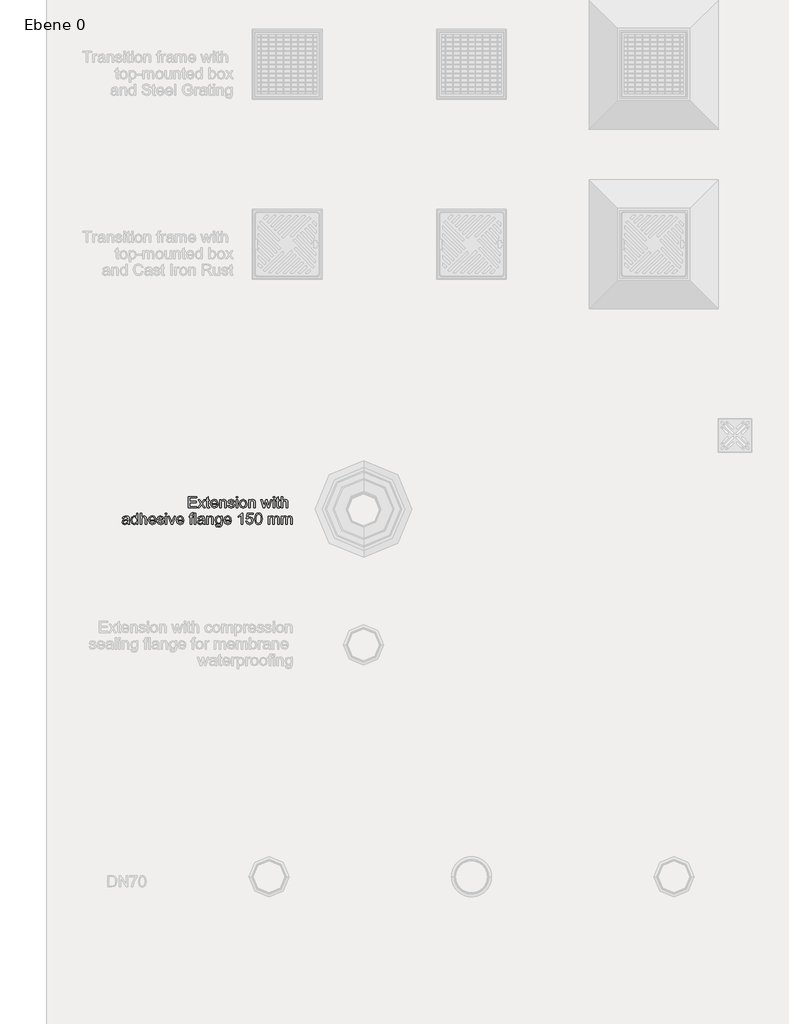
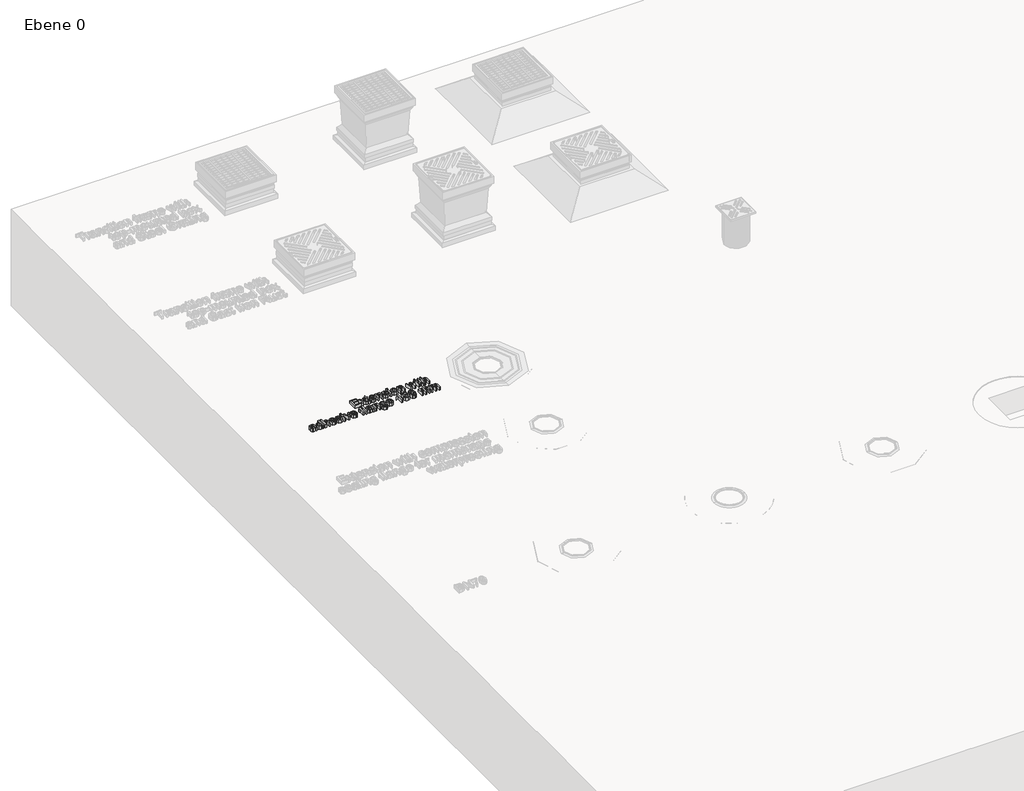
# One storey, part 7 of 12: 1 proxy.
"""IFC4 building model written with IfcOpenShell, lengths in millimetres."""

from ifc_helpers import new_model, si_unit, origin, origin_with_axes, place, context, project, spatial, polyline, outline, extrude, element, save

model = new_model("IFC4")

# Units and contexts
model_context = context("Model", 3, world=origin())
ifc_project = project(units=[si_unit("LENGTHUNIT", "METRE", prefix="MILLI")], contexts=[model_context])

# Site, building, storey
site = spatial("IfcSite", under=ifc_project)
building = spatial("IfcBuilding", under=site)
storey = spatial("IfcBuildingStorey", under=building, Name="Ebene 0", Elevation=0.0)

# Proxy
placement = place(None, origin())
element("IfcBuildingElementProxy", 1, Name="100mm ACO", ObjectType="100mm ACO", at=placement, inside=storey, context=model_context, shape_type="SweptSolid", body=[
    extrude(outline(polyline([(-28839.9371913, 20900.7166552), (-28877.1907044, 20900.7166552), (-28877.1907044, 20951.0088979), (-28840.8685292, 20951.0088979), (-28840.8685292, 20945.4208709), (-28870.6713396, 20945.4208709), (-28870.6713396, 20929.5881279), (-28842.7312048, 20929.5881279), (-28842.7312048, 20924.0001009), (-28870.6713396, 20924.0001009), (-28870.6713396, 20906.3046822), (-28839.9371913, 20906.3046822), (-28839.9371913, 20900.7166552)])), origin_with_axes(), (0.0, 0.0, 1.0), 20.0),
    extrude(outline(polyline([(-28801.7523404, 20900.7166552), (-28808.3299138, 20900.7166552), (-28818.5309735, 20914.9195571), (-28828.6738245, 20900.7166552), (-28835.2805022, 20900.7166552), (-28821.8343123, 20919.5325898), (-28834.3491644, 20937.0388305), (-28827.7861431, 20937.0388305), (-28818.5309735, 20924.1310703), (-28809.3049081, 20937.0388305), (-28802.6836783, 20937.0388305), (-28815.2276346, 20919.5180376), (-28801.7523404, 20900.7166552)])), origin_with_axes(), (0.0, 0.0, 1.0), 20.0),
    extrude(outline(polyline([(-28783.1255839, 20900.2073299), (-28787.6949601, 20899.7853174), (-28793.5230976, 20901.2332567), (-28795.7568532, 20904.9076755), (-28796.1643135, 20911.1068929), (-28796.1643135, 20932.3821414), (-28800.8210026, 20932.3821414), (-28800.8210026, 20937.0388305), (-28796.1643135, 20937.0388305), (-28796.1643135, 20946.2648958), (-28789.6449487, 20950.0775601), (-28789.6449487, 20937.0388305), (-28784.0569217, 20937.0388305), (-28784.0569217, 20932.3821414), (-28789.6449487, 20932.3821414), (-28789.6449487, 20909.7971991), (-28789.1210711, 20905.6643874), (-28786.458027, 20904.4420066), (-28783.9259523, 20904.4420066), (-28783.1255839, 20900.2073299)])), origin_with_axes(), (0.0, 0.0, 1.0), 20.0),
    extrude(outline(polyline([(-28745.8720708, 20917.4807361), (-28772.8808678, 20917.4807361), (-28769.4683878, 20907.7890019), (-28761.8939919, 20904.4420066), (-28756.0221979, 20906.2974061), (-28752.3914356, 20911.8927092), (-28745.8720708, 20911.1359972), (-28751.5619628, 20902.7248524), (-28761.8939919, 20899.7853174), (-28774.7653717, 20904.8276386), (-28779.4002326, 20918.601252), (-28774.9327214, 20932.6004237), (-28769.5520627, 20936.6277322), (-28762.3451086, 20937.9701683), (-28754.6906759, 20936.231186), (-28748.4405259, 20930.3084595), (-28745.8720708, 20917.4807361)]), holes=[polyline([(-28752.3914356, 20922.1374253), (-28755.8257438, 20930.6940916), (-28762.5051823, 20933.3134792), (-28769.6357375, 20930.1993183), (-28772.8808678, 20922.1374253), (-28752.3914356, 20922.1374253)])]), origin_with_axes(), (0.0, 0.0, 1.0), 20.0),
    extrude(outline(polyline([(-28708.6185577, 20900.7166552), (-28715.1379225, 20900.7166552), (-28715.1379225, 20923.3307019), (-28717.080635, 20931.1743126), (-28722.4867601, 20933.3134792), (-28727.5290813, 20931.9455768), (-28730.9051809, 20928.0892561), (-28731.9020034, 20921.0460137), (-28731.9020034, 20900.7166552), (-28738.4213682, 20900.7166552), (-28738.4213682, 20937.0388305), (-28732.8333412, 20937.0388305), (-28732.8333412, 20931.9892332), (-28727.8565047, 20936.4785726), (-28721.1916184, 20937.9701683), (-28715.472622, 20936.9369654), (-28711.0487674, 20933.8446328), (-28709.0332941, 20929.4498824), (-28708.6185577, 20923.1415239), (-28708.6185577, 20900.7166552)])), origin_with_axes(), (0.0, 0.0, 1.0), 20.0),
    extrude(outline(polyline([(-28678.8157473, 20926.7941144), (-28681.2241287, 20931.683638), (-28686.7903274, 20933.3134792), (-28692.4802194, 20931.9164724), (-28694.6484903, 20927.8564216), (-28693.2151032, 20924.2620397), (-28686.4556279, 20922.3120511), (-28677.5424338, 20920.216541), (-28672.9948858, 20917.0368954), (-28671.3650446, 20911.3397273), (-28675.4105433, 20903.1250367), (-28686.2227934, 20899.7853174), (-28697.2314976, 20902.5938831), (-28702.0991929, 20911.0050278), (-28695.5798281, 20911.8927092), (-28692.7639864, 20906.2974061), (-28686.2227934, 20904.4420066), (-28680.0381282, 20906.3701669), (-28677.8844094, 20911.0632364), (-28678.8521276, 20914.0682561), (-28681.2677851, 20915.763582), (-28688.1000212, 20917.2187974), (-28698.6285043, 20921.1478788), (-28701.1678551, 20927.4780656), (-28697.4061234, 20935.0088051), (-28687.2851006, 20937.9701683), (-28676.7857218, 20935.379885), (-28672.2963825, 20927.6235872), (-28678.8157473, 20926.7941144)])), origin_with_axes(), (0.0, 0.0, 1.0), 20.0),
    extrude(outline(polyline([(-28658.3263151, 20944.4895331), (-28664.8456799, 20944.4895331), (-28664.8456799, 20951.0088979), (-28658.3263151, 20951.0088979), (-28658.3263151, 20944.4895331)])), origin_with_axes(), (0.0, 0.0, 1.0), 20.0),
    extrude(outline(polyline([(-28658.3263151, 20900.7166552), (-28664.8456799, 20900.7166552), (-28664.8456799, 20937.0388305), (-28658.3263151, 20937.0388305), (-28658.3263151, 20900.7166552)])), origin_with_axes(), (0.0, 0.0, 1.0), 20.0),
    extrude(outline(polyline([(-28634.1260837, 20937.9701683), (-28622.113281, 20933.1534055), (-28617.3474507, 20919.459829), (-28618.6371353, 20910.270144), (-28622.5061891, 20904.2382764), (-28634.1260837, 20899.7853174), (-28645.8914999, 20904.3619697), (-28649.6295843, 20910.2792391), (-28650.8756124, 20918.8777429), (-28646.0588496, 20933.2407184), (-28634.1260837, 20937.9701683)]), holes=[polyline([(-28634.1260837, 20904.4420066), (-28626.478927, 20908.4802292), (-28623.8668155, 20919.1105773), (-28626.8209026, 20929.7336494), (-28634.1260837, 20933.3134792), (-28641.4821973, 20929.6827169), (-28644.3562477, 20918.8631907), (-28641.4312648, 20908.0727689), (-28634.1260837, 20904.4420066)])]), origin_with_axes(), (0.0, 0.0, 1.0), 20.0),
    extrude(outline(polyline([(-28580.0939376, 20900.7166552), (-28586.6133024, 20900.7166552), (-28586.6133024, 20923.3307019), (-28588.5560149, 20931.1743126), (-28593.9621399, 20933.3134792), (-28599.0044611, 20931.9455768), (-28602.3805608, 20928.0892561), (-28603.3773833, 20921.0460137), (-28603.3773833, 20900.7166552), (-28609.8967481, 20900.7166552), (-28609.8967481, 20937.0388305), (-28604.3087211, 20937.0388305), (-28604.3087211, 20931.9892332), (-28599.3318846, 20936.4785726), (-28592.6669983, 20937.9701683), (-28586.9480019, 20936.9369654), (-28582.5241472, 20933.8446328), (-28580.508674, 20929.4498824), (-28580.0939376, 20923.1415239), (-28580.0939376, 20900.7166552)])), origin_with_axes(), (0.0, 0.0, 1.0), 20.0),
    extrude(outline(polyline([(-28506.2854148, 20937.0388305), (-28518.4510152, 20900.7166552), (-28524.6211283, 20900.7166552), (-28529.90356, 20922.5448856), (-28530.565683, 20925.4916967), (-28531.1987017, 20928.7149987), (-28537.6162014, 20900.7166552), (-28543.7863145, 20900.7166552), (-28556.1119885, 20937.0388305), (-28550.3056793, 20937.0388305), (-28541.4434178, 20908.2546708), (-28540.3811106, 20913.1587465), (-28534.8221879, 20937.0388305), (-28527.531559, 20937.0388305), (-28523.1222565, 20917.9900615), (-28521.0704028, 20909.0404871), (-28512.1062762, 20937.0388305), (-28506.2854148, 20937.0388305)])), origin_with_axes(), (0.0, 0.0, 1.0), 20.0),
    extrude(outline(polyline([(-28494.4108575, 20900.7166552), (-28500.9302223, 20900.7166552), (-28500.9302223, 20937.0388305), (-28494.4108575, 20937.0388305), (-28494.4108575, 20900.7166552)])), origin_with_axes(), (0.0, 0.0, 1.0), 20.0),
    extrude(outline(polyline([(-28494.4108575, 20944.4895331), (-28500.9302223, 20944.4895331), (-28500.9302223, 20951.0088979), (-28494.4108575, 20951.0088979), (-28494.4108575, 20944.4895331)])), origin_with_axes(), (0.0, 0.0, 1.0), 20.0),
    extrude(outline(polyline([(-28471.1274118, 20900.2073299), (-28475.696788, 20899.7853174), (-28481.5249255, 20901.2332567), (-28483.7586811, 20904.9076755), (-28484.1661414, 20911.1068929), (-28484.1661414, 20932.3821414), (-28488.8228305, 20932.3821414), (-28488.8228305, 20937.0388305), (-28484.1661414, 20937.0388305), (-28484.1661414, 20946.2648958), (-28477.6467766, 20950.0775601), (-28477.6467766, 20937.0388305), (-28472.0587497, 20937.0388305), (-28472.0587497, 20932.3821414), (-28477.6467766, 20932.3821414), (-28477.6467766, 20909.7971991), (-28477.1228991, 20905.6643874), (-28474.459855, 20904.4420066), (-28471.9277803, 20904.4420066), (-28471.1274118, 20900.2073299)])), origin_with_axes(), (0.0, 0.0, 1.0), 20.0),
    extrude(outline(polyline([(-28435.7365744, 20900.7166552), (-28442.2559392, 20900.7166552), (-28442.2559392, 20924.2038311), (-28444.1113388, 20931.0360672), (-28449.6484332, 20933.3134792), (-28456.1532458, 20930.6286069), (-28459.0200201, 20921.0460137), (-28459.0200201, 20900.7166552), (-28465.5393849, 20900.7166552), (-28465.5393849, 20951.0088979), (-28459.0200201, 20951.0088979), (-28459.0200201, 20932.9933318), (-28448.1786657, 20937.9701683), (-28441.4992272, 20936.5295051), (-28437.02444, 20932.0983744), (-28435.7365744, 20923.7963708), (-28435.7365744, 20900.7166552)])), origin_with_axes(), (0.0, 0.0, 1.0), 20.0),
    extrude(outline(polyline([(-29138.8966338, 20827.4332096), (-29145.4159986, 20827.4332096), (-29147.2786743, 20831.8279599), (-29160.331956, 20826.5018717), (-29169.1869414, 20829.4123024), (-29172.4247956, 20837.0958395), (-29169.2524261, 20844.6411311), (-29158.2364459, 20848.5629365), (-29152.5320017, 20849.4360657), (-29147.2786743, 20850.7166552), (-29147.446024, 20854.7548779), (-29148.4210183, 20857.2069157), (-29151.0185777, 20859.2514933), (-29155.8353405, 20860.0300335), (-29161.9108646, 20858.4511249), (-29164.974093, 20852.5793309), (-29171.4934578, 20853.3796993), (-29166.3492715, 20861.8490527), (-29154.9476592, 20864.6867226), (-29145.263201, 20862.7440102), (-29141.4650889, 20858.0582167), (-29140.7593095, 20850.9931462), (-29140.7593095, 20842.6838665), (-29140.4828185, 20832.497359), (-29138.8966338, 20827.4332096)]), holes=[polyline([(-29147.2786743, 20843.7316215), (-29147.2786743, 20846.0599661), (-29158.9858818, 20843.3823699), (-29164.1755435, 20841.3414303), (-29165.9054308, 20837.1977046), (-29164.0427551, 20832.8611628), (-29158.6730105, 20831.1585609), (-29150.7202586, 20834.010783), (-29147.2786743, 20843.7316215)])]), origin_with_axes(), (0.0, 0.0, 1.0), 20.0),
    extrude(outline(polyline([(-29101.6431207, 20827.4332096), (-29108.1624855, 20827.4332096), (-29108.1624855, 20831.5369169), (-29118.0870542, 20826.5018717), (-29128.9502369, 20831.8134078), (-29133.3086068, 20845.5942972), (-29129.1321388, 20859.5643646), (-29118.1016064, 20864.6867226), (-29108.2934549, 20860.0882421), (-29108.1624855, 20877.7254522), (-29101.6431207, 20877.7254522), (-29101.6431207, 20827.4332096)]), holes=[polyline([(-29117.3303423, 20831.1585609), (-29110.8255296, 20834.5928691), (-29108.1624855, 20845.0122111), (-29110.5999712, 20855.9554305), (-29117.592281, 20860.0300335), (-29124.4681736, 20856.0427434), (-29126.7892421, 20845.579745), (-29125.5377569, 20837.6560974), (-29122.04524, 20832.7884021), (-29117.3303423, 20831.1585609)])]), origin_with_axes(), (0.0, 0.0, 1.0), 20.0),
    extrude(outline(polyline([(-29062.526932, 20827.4332096), (-29069.0462968, 20827.4332096), (-29069.0462968, 20850.9203854), (-29070.9016964, 20857.7526215), (-29076.4387908, 20860.0300335), (-29082.9436034, 20857.3451612), (-29085.8103777, 20847.7625681), (-29085.8103777, 20827.4332096), (-29092.3297425, 20827.4332096), (-29092.3297425, 20877.7254522), (-29085.8103777, 20877.7254522), (-29085.8103777, 20859.7098861), (-29074.9690233, 20864.6867226), (-29068.2895848, 20863.2460594), (-29063.8147976, 20858.8149287), (-29062.526932, 20850.5129251), (-29062.526932, 20827.4332096)])), origin_with_axes(), (0.0, 0.0, 1.0), 20.0),
    extrude(outline(polyline([(-29021.5480676, 20844.1972905), (-29048.5568646, 20844.1972905), (-29045.1443846, 20834.5055562), (-29037.5699887, 20831.1585609), (-29031.6981947, 20833.0139605), (-29028.0674324, 20838.6092635), (-29021.5480676, 20837.8525515), (-29027.2379596, 20829.4414068), (-29037.5699887, 20826.5018717), (-29050.4413685, 20831.5441929), (-29055.0762294, 20845.3178063), (-29050.6087182, 20859.316978), (-29045.2280595, 20863.3442865), (-29038.0211054, 20864.6867226), (-29030.3666727, 20862.9477403), (-29024.1165227, 20857.0250138), (-29021.5480676, 20844.1972905)]), holes=[polyline([(-29028.0674324, 20848.8539796), (-29031.5017406, 20857.4106459), (-29038.1811791, 20860.0300335), (-29045.3117343, 20856.9158727), (-29048.5568646, 20848.8539796), (-29028.0674324, 20848.8539796)])]), origin_with_axes(), (0.0, 0.0, 1.0), 20.0),
    extrude(outline(polyline([(-28993.6079328, 20853.5106687), (-28996.0163142, 20858.4001923), (-29001.5825129, 20860.0300335), (-29007.272405, 20858.6330268), (-29009.4406759, 20854.5729759), (-29008.0072887, 20850.978594), (-29001.2478134, 20849.0286054), (-28992.3346194, 20846.9330953), (-28987.7870714, 20843.7534498), (-28986.1572302, 20838.0562817), (-28990.2027289, 20829.841591), (-29001.0149789, 20826.5018717), (-29012.0236831, 20829.3104374), (-29016.8913785, 20837.7215821), (-29010.3720137, 20838.6092635), (-29007.556172, 20833.0139605), (-29001.0149789, 20831.1585609), (-28994.8303137, 20833.0867212), (-28992.676595, 20837.7797907), (-28993.6443132, 20840.7848104), (-28996.0599707, 20842.4801363), (-29002.8922068, 20843.9353517), (-29013.4206898, 20847.8644331), (-29015.9600406, 20854.1946199), (-29012.198309, 20861.7253594), (-29002.0772862, 20864.6867226), (-28991.5779074, 20862.0964393), (-28987.088568, 20854.3401415), (-28993.6079328, 20853.5106687)])), origin_with_axes(), (0.0, 0.0, 1.0), 20.0),
    extrude(outline(polyline([(-28973.1185006, 20827.4332096), (-28979.6378654, 20827.4332096), (-28979.6378654, 20863.7553848), (-28973.1185006, 20863.7553848), (-28973.1185006, 20827.4332096)])), origin_with_axes(), (0.0, 0.0, 1.0), 20.0),
    extrude(outline(polyline([(-28973.1185006, 20871.2060874), (-28979.6378654, 20871.2060874), (-28979.6378654, 20877.7254522), (-28973.1185006, 20877.7254522), (-28973.1185006, 20871.2060874)])), origin_with_axes(), (0.0, 0.0, 1.0), 20.0),
    extrude(outline(polyline([(-28934.9336497, 20863.7553848), (-28947.9287228, 20827.4332096), (-28953.5458541, 20827.4332096), (-28967.5304736, 20863.7553848), (-28961.6514036, 20863.7553848), (-28953.8660015, 20842.7275229), (-28951.2320617, 20834.6365256), (-28949.2238645, 20840.5301478), (-28940.8272719, 20863.7553848), (-28934.9336497, 20863.7553848)])), origin_with_axes(), (0.0, 0.0, 1.0), 20.0),
    extrude(outline(polyline([(-28897.6801366, 20844.1972905), (-28924.6889336, 20844.1972905), (-28921.2764536, 20834.5055562), (-28913.7020577, 20831.1585609), (-28907.8302637, 20833.0139605), (-28904.1995014, 20838.6092635), (-28897.6801366, 20837.8525515), (-28903.3700286, 20829.4414068), (-28913.7020577, 20826.5018717), (-28926.5734375, 20831.5441929), (-28931.2082984, 20845.3178063), (-28926.7407872, 20859.316978), (-28921.3601285, 20863.3442865), (-28914.1531744, 20864.6867226), (-28906.4987417, 20862.9477403), (-28900.2485917, 20857.0250138), (-28897.6801366, 20844.1972905)]), holes=[polyline([(-28904.1995014, 20848.8539796), (-28907.6338096, 20857.4106459), (-28914.3132481, 20860.0300335), (-28921.4438034, 20856.9158727), (-28924.6889336, 20848.8539796), (-28904.1995014, 20848.8539796)])]), origin_with_axes(), (0.0, 0.0, 1.0), 20.0),
    extrude(outline(polyline([(-28853.9072587, 20878.176569), (-28854.7076272, 20874.0001009), (-28857.8799967, 20874.0001009), (-28861.0523661, 20872.9305176), (-28862.2892992, 20867.6408098), (-28862.2892992, 20863.7553848), (-28856.7012722, 20863.7553848), (-28856.7012722, 20859.0986957), (-28862.2892992, 20859.0986957), (-28862.2892992, 20827.4332096), (-28868.808664, 20827.4332096), (-28868.808664, 20859.0986957), (-28874.3966909, 20859.0986957), (-28874.3966909, 20863.7553848), (-28868.808664, 20863.7553848), (-28868.808664, 20867.7426749), (-28868.3211668, 20872.7631679), (-28865.7527117, 20876.8377709), (-28859.335212, 20878.6567901), (-28853.9072587, 20878.176569)])), origin_with_axes(), (0.0, 0.0, 1.0), 20.0),
    extrude(outline(polyline([(-28844.5938805, 20827.4332096), (-28851.1132453, 20827.4332096), (-28851.1132453, 20877.7254522), (-28844.5938805, 20877.7254522), (-28844.5938805, 20827.4332096)])), origin_with_axes(), (0.0, 0.0, 1.0), 20.0),
    extrude(outline(polyline([(-28803.6150161, 20827.4332096), (-28810.1343809, 20827.4332096), (-28811.9970565, 20831.8279599), (-28825.0503383, 20826.5018717), (-28833.9053237, 20829.4123024), (-28837.1431779, 20837.0958395), (-28833.9708084, 20844.6411311), (-28822.9548281, 20848.5629365), (-28817.250384, 20849.4360657), (-28811.9970565, 20850.7166552), (-28812.1644063, 20854.7548779), (-28813.1394006, 20857.2069157), (-28815.73696, 20859.2514933), (-28820.5537228, 20860.0300335), (-28826.6292469, 20858.4511249), (-28829.6924752, 20852.5793309), (-28836.21184, 20853.3796993), (-28831.0676537, 20861.8490527), (-28819.6660414, 20864.6867226), (-28809.9815833, 20862.7440102), (-28806.1834712, 20858.0582167), (-28805.4776917, 20850.9931462), (-28805.4776917, 20842.6838665), (-28805.2012008, 20832.497359), (-28803.6150161, 20827.4332096)]), holes=[polyline([(-28811.9970565, 20843.7316215), (-28811.9970565, 20846.0599661), (-28823.7042641, 20843.3823699), (-28828.8939258, 20841.3414303), (-28830.6238131, 20837.1977046), (-28828.7611374, 20832.8611628), (-28823.3913928, 20831.1585609), (-28815.4386408, 20834.010783), (-28811.9970565, 20843.7316215)])]), origin_with_axes(), (0.0, 0.0, 1.0), 20.0),
    extrude(outline(polyline([(-28766.361503, 20827.4332096), (-28772.8808678, 20827.4332096), (-28772.8808678, 20850.0472562), (-28774.8235803, 20857.8908669), (-28780.2297053, 20860.0300335), (-28785.2720265, 20858.6621311), (-28788.6481262, 20854.8058104), (-28789.6449487, 20847.7625681), (-28789.6449487, 20827.4332096), (-28796.1643135, 20827.4332096), (-28796.1643135, 20863.7553848), (-28790.5762865, 20863.7553848), (-28790.5762865, 20858.7057875), (-28785.59945, 20863.1951269), (-28778.9345637, 20864.6867226), (-28773.2155673, 20863.6535197), (-28768.7917126, 20860.5611871), (-28766.7762394, 20856.1664367), (-28766.361503, 20849.8580782), (-28766.361503, 20827.4332096)])), origin_with_axes(), (0.0, 0.0, 1.0), 20.0),
    extrude(outline(polyline([(-28727.2453143, 20832.7884021), (-28728.7805665, 20821.4013419), (-28734.2449001, 20815.5513762), (-28743.6310392, 20813.4631422), (-28753.8830313, 20816.293536), (-28757.9794626, 20825.5705339), (-28751.4600978, 20824.537331), (-28749.1608575, 20819.7278443), (-28743.5291741, 20818.1198313), (-28736.8351835, 20819.9752309), (-28734.237624, 20824.4936746), (-28733.7646791, 20831.8425121), (-28743.616487, 20827.4332096), (-28754.7197802, 20832.686537), (-28758.9108004, 20845.9435489), (-28754.9235103, 20859.3315301), (-28743.8929779, 20864.6867226), (-28733.8956484, 20859.8990641), (-28733.7646791, 20863.7553848), (-28727.2453143, 20863.7553848), (-28727.2453143, 20832.7884021)]), holes=[polyline([(-28742.6414927, 20832.0898987), (-28735.8165327, 20835.3204768), (-28732.8333412, 20846.147279), (-28735.6782872, 20856.4429277), (-28742.7142535, 20860.0300335), (-28749.6920111, 20856.3556147), (-28752.3914356, 20846.2928006), (-28749.5610417, 20835.4951026), (-28742.6414927, 20832.0898987)])]), origin_with_axes(), (0.0, 0.0, 1.0), 20.0),
    extrude(outline(polyline([(-28686.2664499, 20844.1972905), (-28713.2752469, 20844.1972905), (-28709.8627669, 20834.5055562), (-28702.2883709, 20831.1585609), (-28696.416577, 20833.0139605), (-28692.7858147, 20838.6092635), (-28686.2664499, 20837.8525515), (-28691.9563419, 20829.4414068), (-28702.2883709, 20826.5018717), (-28715.1597507, 20831.5441929), (-28719.7946116, 20845.3178063), (-28715.3271005, 20859.316978), (-28709.9464417, 20863.3442865), (-28702.7394877, 20864.6867226), (-28695.0850549, 20862.9477403), (-28688.834905, 20857.0250138), (-28686.2664499, 20844.1972905)]), holes=[polyline([(-28692.7858147, 20848.8539796), (-28696.2201229, 20857.4106459), (-28702.8995614, 20860.0300335), (-28710.0301166, 20856.9158727), (-28713.2752469, 20848.8539796), (-28692.7858147, 20848.8539796)])]), origin_with_axes(), (0.0, 0.0, 1.0), 20.0),
    extrude(outline(polyline([(-28636.905545, 20827.4332096), (-28643.4249098, 20827.4332096), (-28643.4249098, 20866.5493983), (-28655.5323016, 20859.0986957), (-28655.5323016, 20863.7553848), (-28646.3426166, 20869.649007), (-28640.6308963, 20876.7941144), (-28636.905545, 20876.7941144), (-28636.905545, 20827.4332096)])), origin_with_axes(), (0.0, 0.0, 1.0), 20.0),
    extrude(outline(polyline([(-28613.2437434, 20858.6621311), (-28603.8430522, 20860.9613713), (-28593.0744586, 20856.4865841), (-28588.475978, 20844.5610943), (-28593.2418083, 20831.7697513), (-28605.7348321, 20826.5018717), (-28616.6926038, 20830.1399101), (-28622.0041398, 20840.9085038), (-28615.484775, 20841.403277), (-28612.0795711, 20833.6979117), (-28605.6620714, 20831.1585609), (-28597.94943, 20834.9275686), (-28594.9953428, 20844.2118426), (-28597.9567061, 20853.059552), (-28605.5893106, 20856.3046822), (-28614.6407501, 20851.5752323), (-28621.072802, 20852.3319443), (-28616.1978305, 20876.7941144), (-28590.3386537, 20876.7941144), (-28590.3386537, 20872.1374253), (-28610.5370428, 20872.1374253), (-28613.2437434, 20858.6621311)])), origin_with_axes(), (0.0, 0.0, 1.0), 20.0),
    extrude(outline(polyline([(-28566.1384223, 20877.7254522), (-28558.7977704, 20876.1228963), (-28553.5544476, 20871.3152286), (-28549.3597893, 20852.0845577), (-28553.6963311, 20832.8102303), (-28558.9751248, 20828.0789614), (-28566.1384223, 20826.5018717), (-28573.4663412, 20828.1007896), (-28578.7005689, 20832.8975432), (-28582.8879511, 20852.0845577), (-28578.5514093, 20871.3807133), (-28573.2798917, 20876.1392675), (-28566.1384223, 20877.7254522)]), holes=[polyline([(-28566.1238702, 20831.1585609), (-28558.4694374, 20836.0553605), (-28555.8791541, 20852.0845577), (-28557.0142221, 20864.2647102), (-28560.4412542, 20870.8859401), (-28566.196631, 20873.0687631), (-28573.8146833, 20868.0846505), (-28576.3685863, 20852.0845577), (-28575.2116901, 20839.984442), (-28571.7846579, 20833.3413839), (-28566.1238702, 20831.1585609)])]), origin_with_axes(), (0.0, 0.0, 1.0), 20.0),
    extrude(outline(polyline([(-28473.9214253, 20827.4332096), (-28480.4407901, 20827.4332096), (-28480.4407901, 20850.9203854), (-28480.7682136, 20855.3515161), (-28482.4708155, 20858.6111985), (-28486.7564247, 20860.0300335), (-28492.7955685, 20857.4397502), (-28495.3421953, 20849.0286054), (-28495.3421953, 20827.4332096), (-28501.8615601, 20827.4332096), (-28501.8615601, 20851.6188888), (-28503.462297, 20858.2401186), (-28508.0025689, 20860.0300335), (-28514.3036514, 20857.228744), (-28516.7629654, 20846.7439173), (-28516.7629654, 20827.4332096), (-28523.2823301, 20827.4332096), (-28523.2823301, 20863.7553848), (-28517.6943032, 20863.7553848), (-28517.6943032, 20858.7785483), (-28512.9757674, 20863.2096791), (-28506.6637708, 20864.6867226), (-28500.0352649, 20863.0932618), (-28496.2735332, 20858.2983272), (-28491.4858746, 20863.0896238), (-28485.1556878, 20864.6867226), (-28476.7299909, 20861.6307704), (-28473.9214253, 20852.4629137), (-28473.9214253, 20827.4332096)])), origin_with_axes(), (0.0, 0.0, 1.0), 20.0),
    extrude(outline(polyline([(-28416.17848, 20827.4332096), (-28422.6978448, 20827.4332096), (-28422.6978448, 20850.9203854), (-28423.0252683, 20855.3515161), (-28424.7278702, 20858.6111985), (-28429.0134795, 20860.0300335), (-28435.0526232, 20857.4397502), (-28437.5992501, 20849.0286054), (-28437.5992501, 20827.4332096), (-28444.1186148, 20827.4332096), (-28444.1186148, 20851.6188888), (-28445.7193517, 20858.2401186), (-28450.2596236, 20860.0300335), (-28456.5607061, 20857.228744), (-28459.0200201, 20846.7439173), (-28459.0200201, 20827.4332096), (-28465.5393849, 20827.4332096), (-28465.5393849, 20863.7553848), (-28459.9513579, 20863.7553848), (-28459.9513579, 20858.7785483), (-28455.2328221, 20863.2096791), (-28448.9208255, 20864.6867226), (-28442.2923196, 20863.0932618), (-28438.5305879, 20858.2983272), (-28433.7429294, 20863.0896238), (-28427.4127426, 20864.6867226), (-28418.9870457, 20861.6307704), (-28416.17848, 20852.4629137), (-28416.17848, 20827.4332096)])), origin_with_axes(), (0.0, 0.0, 1.0), 20.0),
])

save(model, "model.ifc")
